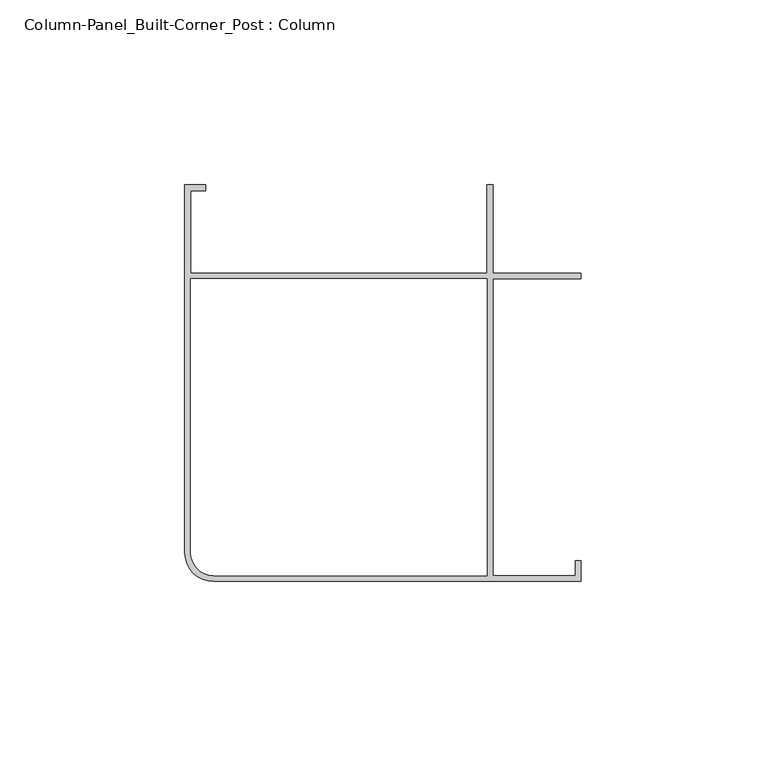
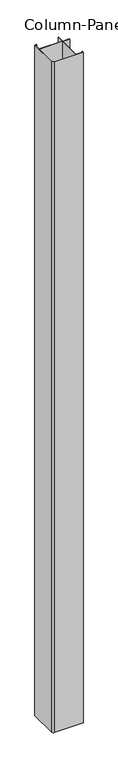
"""IFC4 building model written with IfcOpenShell, lengths in millimetres: column geometry, Column-Panel_Built-Corner_Post : Column."""

from ifc_helpers import new_model, si_unit, point, frame, frame_2d, origin, place, context, project, spatial, polyline, circle_curve, trimmed, segment, composite_curve, outline, extrude, source, transform, mapped, element, save


def column_panel_built_corner_post_column_dd3ebb98(model_context):
    return source(origin(), model_context, "Body", "SweptSolid", [
        extrude(outline(composite_curve([segment(polyline([(-43.65625, -35.921883), (-43.65625, 63.5), (-38.1, 63.5), (-38.1, 61.9125), (-42.06875, 61.9125), (-42.06875, 39.6875), (38.1, 39.6875), (38.1, 63.5), (39.6875, 63.5), (39.6875, 39.6875), (63.5, 39.6875), (63.5, 38.1), (39.6875, 38.1), (39.6875, -42.0751), (61.9125, -42.0751), (61.9125, -38.1), (63.5, -38.1), (63.5, -43.6626), (-35.915533, -43.6626)]), True, "CONTINUOUS"), segment(trimmed(circle_curve(frame_2d((-35.915533, -35.921883)), 7.740717), [point((-35.915533, -43.6626))], [point((-43.65625, -35.921883))], False, "CARTESIAN"), True, "CONTINUOUS")], self_intersect=False), holes=[composite_curve([segment(polyline([(-35.915533, -42.0751), (38.1, -42.0751), (38.1, 38.1), (-42.06875, 38.1), (-42.06875, -35.921883)]), True, "CONTINUOUS"), segment(trimmed(circle_curve(frame_2d((-35.915533, -35.921883)), 6.153217), [point((-42.06875, -35.921883))], [point((-35.915533, -42.0751))], True, "CARTESIAN"), True, "CONTINUOUS")], self_intersect=False)]), frame((0.0, 0.0, 203.2), z_axis=(0.0, 0.0, 1.0), x_axis=(1.0, 0.0, 0.0)), (0.0, 0.0, 1.0), 2491.0288),
    ])


if __name__ == "__main__":
    model = new_model("IFC4")
    model_context = context("Model", 3, world=origin())
    ifc_project = project(units=[si_unit("LENGTHUNIT", "METRE", prefix="MILLI")], contexts=[model_context])
    site = spatial("IfcSite", under=ifc_project)
    building = spatial("IfcBuilding", under=site)
    placement = place(None, origin())
    column_panel_built_corner_post_column_shape = column_panel_built_corner_post_column_dd3ebb98(model_context)
    element("IfcColumn", 1, ObjectType="Column-Panel_Built-Corner_Post : Column", at=placement, inside=building, context=model_context, shape_type="MappedRepresentation", body=[
        mapped(column_panel_built_corner_post_column_shape, transform((0.0, 0.0, 0.0), x_axis=(1.0, 0.0, 0.0), y_axis=(0.0, 1.0, 0.0), z_axis=(0.0, 0.0, 1.0))),
    ])
    save(model, "model.ifc")
